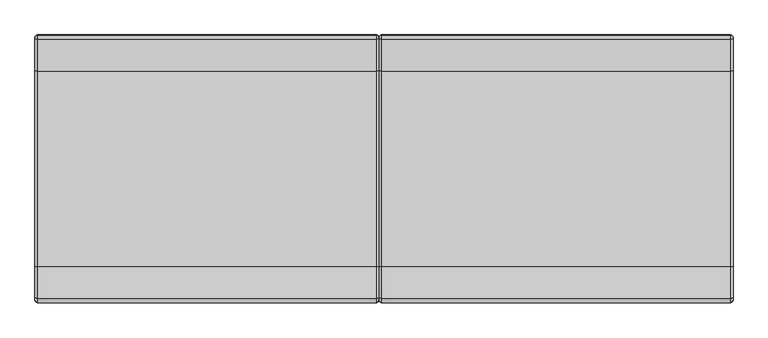
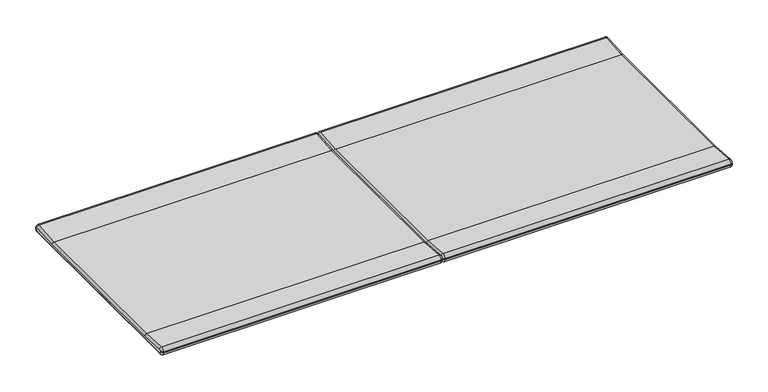
"""IFC4 building model written with IfcOpenShell, lengths in millimetres: furniture geometry."""

from ifc_helpers import new_model, si_unit, point, frame, origin, place, context, project, spatial, polyline, circle_curve, ellipse_curve, trimmed, source, transform, mapped, element, save
from ifc_brep_helpers import plane_surface, cylinder_surface, revolved_surface, advanced_brep


def furniture_d95eb234(model_context):
    return source(origin(), model_context, "Body", "AdvancedBrep", [
        advanced_brep(
        [(-315.5, -176.912469, 423.2281613), (-315.5, 181.9050033, 423.2281613), (-315.5, 240.662188, 427.3368639), (-315.5, 243.3268041, 425.0638151), (-315.5, 243.5179109, 422.9090742), (-315.5, 241.2485472, 420.1979879), (-315.5, 240.4185407, 420.1243736), (-315.5, -235.4260063, 420.1243736), (-315.5, -236.2560129, 420.1979879), (-315.5, -238.5253765, 422.9090742), (-315.5, -238.3342698, 425.0638151), (-315.5, -235.6696536, 427.3368639), (315.5, 181.9050033, 423.2281613), (315.5, -176.912469, 423.2281613), (315.5, -235.6696536, 427.3368639), (315.5, -238.3342698, 425.0638151), (315.5, -238.5253765, 422.9090742), (315.5, -236.2560129, 420.1979879), (315.5, -235.4260063, 420.1243736), (315.5, 240.4185407, 420.1243736), (315.5, 241.2485472, 420.1979879), (315.5, 243.5179109, 422.9090742), (315.5, 243.3268041, 425.0638151), (315.5, 240.662188, 427.3368639), (310.5, 240.3134056, 432.3246842), (310.5, 248.307254, 425.5055377), (-310.5000007, 248.307254, 425.5055377), (-310.5, 240.3134056, 432.3246842), (310.5, 181.556221, 428.2159816), (-310.5, 181.556221, 428.2159816), (310.5, -176.5636866, 428.2159816), (-310.5, -176.5636866, 428.2159816), (310.5, -235.3208713, 432.3246842), (-310.5, -235.3208713, 432.3246842), (310.5, -243.3147197, 425.5055377), (-310.5, -243.3147197, 425.5055377), (310.5, -243.5058264, 423.3507968), (-310.5, -243.5058264, 423.3507968), (310.5, -235.8677289, 415.1439237), (310.5, -236.6977355, 415.217538), (-310.5, -236.6977355, 415.217538), (-310.5, -235.8677289, 415.1439237), (310.5, 240.8602632, 415.1439237), (-310.5, 240.8602632, 415.1439237), (310.5, 241.6902698, 415.217538), (-310.5, 241.6902698, 415.217538), (310.5, 248.4983608, 423.3507968), (-310.5, 248.4983608, 423.3507968)],
        [
            (0, 1, circle_curve(frame((-315.5, 2.4962672, 2988.8926207), z_axis=(1.0, 0.0, 0.0), x_axis=(0.0, -0.06975647374412147, -0.9975640502598245)), 2571.9295505)),
            (1, 2),
            (2, 3, circle_curve(frame((-315.5, 240.8365791, 424.8429538), z_axis=(-1.0, 0.0, 0.0), x_axis=(0.0, -0.06975647374412368, 0.9975640502598243)), 2.5)),
            (3, 4),
            (4, 5, circle_curve(frame((-315.5, 241.0276859, 422.6882129), z_axis=(-1.0, 0.0, 0.0), x_axis=(0.0, 0.996089978874471, 0.08834451870860997)), 2.5)),
            (5, 6),
            (6, 7, circle_curve(frame((-315.5, 2.4962672, 3102.7129013), z_axis=(-1.0, 0.0, 0.0), x_axis=(0.0, 0.08834451870780052, -0.9960899788745428)), 2693.1186787)),
            (7, 8),
            (8, 9, circle_curve(frame((-315.5, -236.0351516, 422.6882129), z_axis=(-1.0, 0.0, 0.0), x_axis=(0.0, -0.08834451870869087, -0.9960899788744638)), 2.5)),
            (9, 10),
            (10, 11, circle_curve(frame((-315.5, -235.8440448, 424.8429538), z_axis=(-1.0, 0.0, 0.0), x_axis=(0.0, -0.9960899788744718, 0.08834451870860047)), 2.5)),
            (11, 0),
            (12, 13, circle_curve(frame((315.5, 2.4962672, 2988.8926207), z_axis=(-1.0, 0.0, 0.0), x_axis=(0.0, -0.06975647374412147, -0.9975640502598245)), 2571.9295505)),
            (13, 14),
            (14, 15, circle_curve(frame((315.5, -235.8440448, 424.8429538), z_axis=(1.0, 0.0, 0.0), x_axis=(0.0, -0.9960899788744718, 0.08834451870860047)), 2.5)),
            (15, 16),
            (16, 17, circle_curve(frame((315.5, -236.0351516, 422.6882129), z_axis=(1.0, 0.0, 0.0), x_axis=(0.0, -0.08834451870869087, -0.9960899788744638)), 2.5)),
            (17, 18),
            (18, 19, circle_curve(frame((315.5, 2.4962672, 3102.7129013), z_axis=(1.0, 0.0, 0.0), x_axis=(0.0, 0.08834451870780052, -0.9960899788745428)), 2693.1186787)),
            (19, 20),
            (20, 21, circle_curve(frame((315.5, 241.0276859, 422.6882129), z_axis=(1.0, 0.0, 0.0), x_axis=(0.0, 0.996089978874471, 0.08834451870860997)), 2.5)),
            (21, 22),
            (22, 23, circle_curve(frame((315.5, 240.8365791, 424.8429538), z_axis=(1.0, 0.0, 0.0), x_axis=(0.0, -0.06975647374412368, 0.9975640502598243)), 2.5)),
            (23, 12),
            (24, 25, circle_curve(frame((310.5, 240.8365791, 424.8429538), z_axis=(-1.0, 0.0, 0.0), x_axis=(0.0, -1.0, 0.0)), 7.5)),
            (25, 26),
            (26, 27, circle_curve(frame((-310.5, 240.8365791, 424.8429538), z_axis=(1.0, 0.0, 0.0), x_axis=(0.0, -1.0, 0.0)), 7.5)),
            (27, 24),
            (28, 24),
            (27, 29),
            (29, 28),
            (30, 28, circle_curve(frame((310.5, 2.4962672, 2988.8926207), z_axis=(1.0, 0.0, 0.0), x_axis=(0.0, -1.0, 0.0)), 2566.9295505)),
            (29, 31, circle_curve(frame((-310.5, 2.4962672, 2988.8926207), z_axis=(-1.0, 0.0, 0.0), x_axis=(0.0, -1.0, 0.0)), 2566.9295505)),
            (31, 30),
            (32, 30),
            (31, 33),
            (33, 32),
            (34, 32, circle_curve(frame((310.5, -235.8440448, 424.8429538), z_axis=(-1.0, 0.0, 0.0), x_axis=(0.0, -1.0, 0.0)), 7.5)),
            (33, 35, circle_curve(frame((-310.5, -235.8440448, 424.8429538), z_axis=(1.0, 0.0, 0.0), x_axis=(0.0, -1.0, 0.0)), 7.5)),
            (35, 34),
            (36, 34),
            (35, 37),
            (37, 36),
            (38, 39),
            (39, 40),
            (40, 41),
            (41, 38),
            (42, 38, circle_curve(frame((310.5, 2.4962672, 3102.7129013), z_axis=(-1.0, 0.0, 0.0), x_axis=(0.0, -1.0, 0.0)), 2698.1186787)),
            (41, 43, circle_curve(frame((-310.5, 2.4962672, 3102.7129013), z_axis=(1.0, 0.0, 0.0), x_axis=(0.0, -1.0, 0.0)), 2698.1186787)),
            (43, 42),
            (44, 42),
            (43, 45),
            (45, 44),
            (25, 46),
            (46, 47),
            (47, 26),
            (39, 36, circle_curve(frame((310.5, -236.0351516, 422.6882129), z_axis=(-1.0, 0.0, 0.0), x_axis=(0.0, -1.0, 0.0)), 7.5)),
            (37, 40, circle_curve(frame((-310.5, -236.0351516, 422.6882129), z_axis=(1.0, 0.0, 0.0), x_axis=(0.0, -1.0, 0.0)), 7.5)),
            (46, 44, circle_curve(frame((310.5, 241.0276859, 422.6882129), z_axis=(-1.0, 0.0, 0.0), x_axis=(0.0, -1.0, 0.0)), 7.5)),
            (45, 47, circle_curve(frame((-310.5, 241.0276859, 422.6882129), z_axis=(1.0, 0.0, 0.0), x_axis=(0.0, -1.0, 0.0)), 7.5)),
            (12, 28, circle_curve(frame((310.5, 181.9050033, 423.2281613), z_axis=(0.0, -0.9975640502598243, -0.06975647374412519), x_axis=(-1.0, 0.0, 0.0)), 5.0)),
            (30, 13, circle_curve(frame((310.5, -176.912469, 423.2281613), z_axis=(0.0, 0.9975640502598245, -0.06975647374412139), x_axis=(-1.0, 0.0, 0.0)), 5.0)),
            (23, 24, circle_curve(frame((310.5, 240.662188, 427.3368639), z_axis=(0.0, -0.9975640502598244, -0.06975647374412519), x_axis=(-1.0, 0.0, 0.0)), 5.0)),
            (22, 25, circle_curve(frame((310.5, 243.3268041, 425.0638151), z_axis=(0.0, -0.0883445187086484, 0.9960899788744676), x_axis=(-1.0, 0.0, 0.0)), 5.0)),
            (21, 46, circle_curve(frame((310.5, 243.5179109, 422.9090742), z_axis=(0.0, -0.08834451870861519, 0.9960899788744705), x_axis=(-1.0, 0.0, 0.0)), 5.0)),
            (20, 44, circle_curve(frame((310.5, 241.2485472, 420.1979879), z_axis=(0.0, 0.996089978874542, 0.08834451870780947), x_axis=(-1.0, 0.0, 0.0)), 5.0)),
            (19, 42, circle_curve(frame((310.5, 240.4185407, 420.1243736), z_axis=(0.0, 0.9960899788745432, 0.08834451870779796), x_axis=(-1.0, 0.0, 0.0)), 5.0)),
            (18, 38, circle_curve(frame((310.5, -235.4260063, 420.1243736), z_axis=(0.0, 0.996089978874464, -0.08834451870868819), x_axis=(-1.0, 0.0, 0.0)), 5.0)),
            (17, 39, circle_curve(frame((310.5, -236.2560129, 420.1979879), z_axis=(0.0, 0.9960899788744635, -0.08834451870869456), x_axis=(-1.0, 0.0, 0.0)), 5.0)),
            (16, 36, circle_curve(frame((310.5, -238.5253765, 422.9090742), z_axis=(0.0, -0.08834451870860996, -0.996089978874471), x_axis=(-1.0, 0.0, 0.0)), 5.0)),
            (15, 34, circle_curve(frame((310.5, -238.3342698, 425.0638151), z_axis=(0.0, -0.08834451870860673, -0.9960899788744714), x_axis=(-1.0, 0.0, 0.0)), 5.0)),
            (14, 32, circle_curve(frame((310.5, -235.6696536, 427.3368639), z_axis=(0.0, -0.9975640502598242, 0.06975647374412614), x_axis=(-1.0, 0.0, 0.0)), 5.0)),
            (29, 1, circle_curve(frame((-310.5, 181.9050033, 423.2281613), z_axis=(0.0, -0.9975640502598243, -0.06975647374412522), x_axis=(1.0, 0.0, 0.0)), 5.0)),
            (0, 31, circle_curve(frame((-310.5, -176.912469, 423.2281613), z_axis=(0.0, 0.9975640502598245, -0.06975647374412139), x_axis=(1.0, 0.0, 0.0)), 5.0)),
            (27, 2, circle_curve(frame((-310.5, 240.662188, 427.3368639), z_axis=(0.0, -0.9975640502598244, -0.06975647374412519), x_axis=(1.0, 0.0, 0.0)), 5.0)),
            (26, 3, circle_curve(frame((-310.5, 243.3268041, 425.0638151), z_axis=(0.0, -0.08834451870861701, 0.9960899788744704), x_axis=(1.0, 0.0, 0.0)), 5.0)),
            (47, 4, circle_curve(frame((-310.5, 243.5179109, 422.9090742), z_axis=(0.0, -0.08834451870861519, 0.9960899788744705), x_axis=(1.0, 0.0, 0.0)), 5.0)),
            (45, 5, circle_curve(frame((-310.5, 241.2485472, 420.1979879), z_axis=(0.0, 0.9960899788745425, 0.08834451870780329), x_axis=(1.0, 0.0, 0.0)), 5.0)),
            (43, 6, circle_curve(frame((-310.5, 240.4185407, 420.1243736), z_axis=(0.0, 0.9960899788745432, 0.08834451870779796), x_axis=(1.0, 0.0, 0.0)), 5.0)),
            (41, 7, circle_curve(frame((-310.5, -235.4260063, 420.1243736), z_axis=(0.0, 0.996089978874464, -0.08834451870868822), x_axis=(1.0, 0.0, 0.0)), 5.0)),
            (40, 8, circle_curve(frame((-310.5, -236.2560129, 420.1979879), z_axis=(0.0, 0.9960899788744635, -0.08834451870869456), x_axis=(1.0, 0.0, 0.0)), 5.0)),
            (37, 9, circle_curve(frame((-310.5, -238.5253765, 422.9090742), z_axis=(0.0, -0.08834451870860996, -0.996089978874471), x_axis=(1.0, 0.0, 0.0)), 5.0)),
            (35, 10, circle_curve(frame((-310.5, -238.3342698, 425.0638151), z_axis=(0.0, -0.08834451870860673, -0.9960899788744714), x_axis=(1.0, 0.0, 0.0)), 5.0)),
            (33, 11, circle_curve(frame((-310.5, -235.6696536, 427.3368639), z_axis=(0.0, -0.9975640502598242, 0.06975647374412458), x_axis=(1.0, 0.0, 0.0)), 5.0)),
        ],
        [
            plane_surface(frame((-315.5, 248.4104415, 424.3420918), z_axis=(-1.0, 0.0, 0.0), x_axis=(0.0, 0.08834451870861235, -0.9960899788744708))),
            plane_surface(frame((315.5, 248.4104415, 424.3420918), z_axis=(1.0, 0.0, 0.0), x_axis=(0.0, -0.08834451870861235, 0.9960899788744708))),
            cylinder_surface(frame((315.5, 240.8365791, 424.8429538), z_axis=(-1.0, 0.0, 0.0), x_axis=(0.0, -1.0, 0.0)), 7.5),
            plane_surface(frame((-315.5, 181.556221, 428.2159816), z_axis=(0.0, -0.06975647374412508, 0.9975640502598243), x_axis=(1.0, 0.0, 0.0))),
            revolved_surface(polyline([(310.5, -2564.4332833, 2988.8926207), (-310.5, -2564.4332833, 2988.8926207)]), (315.5, 2.4962672, 2988.8926207), (1.0, 0.0, 0.0)),
            plane_surface(frame((-315.5, -235.3208713, 432.3246842), z_axis=(0.0, 0.06975647374412194, 0.9975640502598245), x_axis=(1.0, 0.0, 0.0))),
            cylinder_surface(frame((315.5, -235.8440448, 424.8429538), z_axis=(-1.0, 0.0, 0.0), x_axis=(0.0, -1.0, 0.0)), 7.5),
            plane_surface(frame((-315.5, -243.5058264, 423.3507968), z_axis=(0.0, -0.9960899788744714, 0.08834451870860684), x_axis=(1.0, 0.0, 0.0))),
            plane_surface(frame((-315.5, -235.8677289, 415.1439237), z_axis=(0.0, -0.08834451870869824, -0.9960899788744633), x_axis=(1.0, 0.0, 0.0))),
            cylinder_surface(frame((315.5, 2.4962672, 3102.7129013), z_axis=(-1.0, 0.0, 0.0), x_axis=(0.0, -1.0, 0.0)), 2698.1186787),
            plane_surface(frame((-315.5, 241.6902698, 415.217538), z_axis=(0.0, 0.08834451870787008, -0.9960899788745367), x_axis=(1.0, 0.0, 0.0))),
            plane_surface(frame((-315.5, 248.307254, 425.5055377), z_axis=(0.0, 0.9960899788744708, 0.08834451870861235), x_axis=(1.0, 0.0, 0.0))),
            cylinder_surface(frame((315.5, -236.0351516, 422.6882129), z_axis=(-1.0, 0.0, 0.0), x_axis=(0.0, -1.0, 0.0)), 7.5),
            cylinder_surface(frame((315.5, 241.0276859, 422.6882129), z_axis=(-1.0, 0.0, 0.0), x_axis=(0.0, -1.0, 0.0)), 7.5),
            revolved_surface(trimmed(ellipse_curve(frame((310.5, -176.912469, 423.2281613), z_axis=(0.0, -0.9975640502598245, 0.06975647374412139), x_axis=(-1.0, 0.0, 0.0)), 5.0, 5.0), [point((315.5, -176.912469, 423.2281613))], [point((310.5, -176.5636866, 428.2159816))], True, "CARTESIAN"), (315.5, 2.4962672, 2988.8926207), (1.0, 0.0, 0.0)),
            cylinder_surface(frame((310.5, 181.9050033, 423.2281613), z_axis=(0.0, 0.9975640502598242, 0.06975647374412518), x_axis=(-1.0, 0.0, 0.0)), 5.0),
            revolved_surface(trimmed(ellipse_curve(frame((310.5, 240.662188, 427.3368639), z_axis=(0.0, -0.9975640502598243, -0.06975647374412386), x_axis=(-1.0, 0.0, 0.0)), 5.0, 5.0), [point((315.5, 240.662188, 427.3368639))], [point((310.5, 240.3134056, 432.3246842))], True, "CARTESIAN"), (315.5, 240.8365791, 424.8429538), (-1.0, 0.0, 0.0)),
            cylinder_surface(frame((310.5, 243.3268041, 425.0638151), z_axis=(0.0, 0.08834451870861519, -0.9960899788744705), x_axis=(-1.0, 0.0, 0.0)), 5.0),
            revolved_surface(trimmed(ellipse_curve(frame((310.5, 243.5179109, 422.9090742), z_axis=(0.0, -0.08834451870861007, 0.996089978874471), x_axis=(-1.0, 0.0, 0.0)), 5.0, 5.0), [point((315.5, 243.5179109, 422.9090742))], [point((310.5, 248.4983608, 423.3507968))], True, "CARTESIAN"), (315.5, 241.0276859, 422.6882129), (-1.0, 0.0, 0.0)),
            cylinder_surface(frame((310.5, 241.2485472, 420.1979879), z_axis=(0.0, -0.996089978874543, -0.08834451870779794), x_axis=(-1.0, 0.0, 0.0)), 5.0),
            revolved_surface(trimmed(ellipse_curve(frame((310.5, 240.4185407, 420.1243736), z_axis=(0.0, 0.9960899788745428, 0.08834451870780073), x_axis=(-1.0, 0.0, 0.0)), 5.0, 5.0), [point((315.5, 240.4185407, 420.1243736))], [point((310.5, 240.8602632, 415.1439237))], True, "CARTESIAN"), (315.5, 2.4962672, 3102.7129013), (-1.0, 0.0, 0.0)),
            cylinder_surface(frame((310.5, -235.4260063, 420.1243736), z_axis=(0.0, -0.9960899788744635, 0.08834451870869456), x_axis=(-1.0, 0.0, 0.0)), 5.0),
            revolved_surface(trimmed(ellipse_curve(frame((310.5, -236.2560129, 420.1979879), z_axis=(0.0, 0.9960899788744638, -0.08834451870869076), x_axis=(-1.0, 0.0, 0.0)), 5.0, 5.0), [point((315.5, -236.2560129, 420.1979879))], [point((310.5, -236.6977355, 415.217538))], True, "CARTESIAN"), (315.5, -236.0351516, 422.6882129), (-1.0, 0.0, 0.0)),
            cylinder_surface(frame((310.5, -238.5253765, 422.9090742), z_axis=(0.0, 0.08834451870860673, 0.9960899788744714), x_axis=(-1.0, 0.0, 0.0)), 5.0),
            revolved_surface(trimmed(ellipse_curve(frame((310.5, -238.3342698, 425.0638151), z_axis=(0.0, -0.08834451870860047, -0.9960899788744718), x_axis=(-1.0, 0.0, 0.0)), 5.0, 5.0), [point((315.5, -238.3342698, 425.0638151))], [point((310.5, -243.3147197, 425.5055377))], True, "CARTESIAN"), (315.5, -235.8440448, 424.8429538), (-1.0, 0.0, 0.0)),
            cylinder_surface(frame((310.5, -235.6696536, 427.3368639), z_axis=(0.0, 0.9975640502598245, -0.06975647374412176), x_axis=(-1.0, 0.0, 0.0)), 5.0),
            revolved_surface(trimmed(ellipse_curve(frame((-310.5, -176.912469, 423.2281613), z_axis=(0.0, -0.9975640502598245, 0.06975647374412139), x_axis=(1.0, 0.0, 0.0)), 5.0, 5.0), [point((-310.5, -176.5636866, 428.2159816))], [point((-315.5, -176.912469, 423.2281613))], True, "CARTESIAN"), (-315.5, 2.4962672, 2988.8926207), (1.0, 0.0, 0.0)),
            cylinder_surface(frame((-310.5, 181.9050033, 423.2281613), z_axis=(0.0, 0.9975640502598242, 0.06975647374412518), x_axis=(1.0, 0.0, 0.0)), 5.0),
            revolved_surface(trimmed(ellipse_curve(frame((-310.5, 240.662188, 427.3368639), z_axis=(0.0, -0.9975640502598243, -0.06975647374412386), x_axis=(1.0, 0.0, 0.0)), 5.0, 5.0), [point((-310.5, 240.3134056, 432.3246842))], [point((-315.5, 240.662188, 427.3368639))], True, "CARTESIAN"), (-315.5, 240.8365791, 424.8429538), (-1.0, 0.0, 0.0)),
            cylinder_surface(frame((-310.5, 243.3268041, 425.0638151), z_axis=(0.0, 0.08834451870861519, -0.9960899788744705), x_axis=(1.0, 0.0, 0.0)), 5.0),
            revolved_surface(trimmed(ellipse_curve(frame((-310.5, 243.5179109, 422.9090742), z_axis=(0.0, -0.08834451870861007, 0.996089978874471), x_axis=(1.0, 0.0, 0.0)), 5.0, 5.0), [point((-310.5, 248.4983608, 423.3507968))], [point((-315.5, 243.5179109, 422.9090742))], True, "CARTESIAN"), (-315.5, 241.0276859, 422.6882129), (-1.0, 0.0, 0.0)),
            cylinder_surface(frame((-310.5, 241.2485472, 420.1979879), z_axis=(0.0, -0.996089978874543, -0.08834451870779794), x_axis=(1.0, 0.0, 0.0)), 5.0),
            revolved_surface(trimmed(ellipse_curve(frame((-310.5, 240.4185407, 420.1243736), z_axis=(0.0, 0.9960899788745428, 0.08834451870780073), x_axis=(1.0, 0.0, 0.0)), 5.0, 5.0), [point((-310.5, 240.8602632, 415.1439237))], [point((-315.5, 240.4185407, 420.1243736))], True, "CARTESIAN"), (-315.5, 2.4962672, 3102.7129013), (-1.0, 0.0, 0.0)),
            cylinder_surface(frame((-310.5, -235.4260063, 420.1243736), z_axis=(0.0, -0.9960899788744635, 0.08834451870869456), x_axis=(1.0, 0.0, 0.0)), 5.0),
            revolved_surface(trimmed(ellipse_curve(frame((-310.5, -236.2560129, 420.1979879), z_axis=(0.0, 0.9960899788744638, -0.08834451870869076), x_axis=(1.0, 0.0, 0.0)), 5.0, 5.0), [point((-310.5, -236.6977355, 415.217538))], [point((-315.5, -236.2560129, 420.1979879))], True, "CARTESIAN"), (-315.5, -236.0351516, 422.6882129), (-1.0, 0.0, 0.0)),
            cylinder_surface(frame((-310.5, -238.5253765, 422.9090742), z_axis=(0.0, 0.08834451870860673, 0.9960899788744714), x_axis=(1.0, 0.0, 0.0)), 5.0),
            revolved_surface(trimmed(ellipse_curve(frame((-310.5, -238.3342698, 425.0638151), z_axis=(0.0, -0.08834451870860047, -0.9960899788744718), x_axis=(1.0, 0.0, 0.0)), 5.0, 5.0), [point((-310.5, -243.3147197, 425.5055377))], [point((-315.5, -238.3342698, 425.0638151))], True, "CARTESIAN"), (-315.5, -235.8440448, 424.8429538), (-1.0, 0.0, 0.0)),
            cylinder_surface(frame((-310.5, -235.6696536, 427.3368639), z_axis=(0.0, 0.9975640502598245, -0.06975647374412176), x_axis=(1.0, 0.0, 0.0)), 5.0),
        ],
        [
            (0, [[1, 2, 3, 4, 5, 6, 7, 8, 9, 10, 11, 12]]),
            (1, [[13, 14, 15, 16, 17, 18, 19, 20, 21, 22, 23, 24]]),
            (2, [[25, 26, 27, 28]]),
            (3, [[29, -28, 30, 31]]),
            (4, [[32, -31, 33, 34]]),
            (5, [[35, -34, 36, 37]]),
            (6, [[38, -37, 39, 40]]),
            (7, [[41, -40, 42, 43]]),
            (8, [[44, 45, 46, 47]]),
            (9, [[48, -47, 49, 50]]),
            (10, [[51, -50, 52, 53]]),
            (11, [[54, 55, 56, -26]]),
            (12, [[57, -43, 58, -45]]),
            (13, [[59, -53, 60, -55]]),
            (14, [[61, -32, 62, -13]]),
            (15, [[-61, -24, 63, -29]]),
            (16, [[-63, -23, 64, -25]]),
            (17, [[-64, -22, 65, -54]]),
            (18, [[-65, -21, 66, -59]]),
            (19, [[-66, -20, 67, -51]]),
            (20, [[-67, -19, 68, -48]]),
            (21, [[-68, -18, 69, -44]]),
            (22, [[-69, -17, 70, -57]]),
            (23, [[-70, -16, 71, -41]]),
            (24, [[-71, -15, 72, -38]]),
            (25, [[-62, -35, -72, -14]]),
            (26, [[73, -1, 74, -33]]),
            (27, [[-73, -30, 75, -2]]),
            (28, [[-75, -27, 76, -3]]),
            (29, [[-76, -56, 77, -4]]),
            (30, [[-77, -60, 78, -5]]),
            (31, [[-78, -52, 79, -6]]),
            (32, [[-79, -49, 80, -7]]),
            (33, [[-80, -46, 81, -8]]),
            (34, [[-81, -58, 82, -9]]),
            (35, [[-82, -42, 83, -10]]),
            (36, [[-83, -39, 84, -11]]),
            (37, [[-74, -12, -84, -36]]),
        ],
    ),
        advanced_brep(
        [(315.5, -176.912469, 423.2281613), (315.5, 181.9050033, 423.2281613), (315.5, 240.662188, 427.3368639), (315.5, 243.3268041, 425.0638151), (315.5, 243.5179109, 422.9090742), (315.5, 241.2485472, 420.1979879), (315.5, 240.4185407, 420.1243736), (315.5, -235.4260063, 420.1243736), (315.5, -236.2560129, 420.1979879), (315.5, -238.5253765, 422.9090742), (315.5, -238.3342698, 425.0638151), (315.5, -235.6696536, 427.3368639), (965.1060612, 181.9050033, 423.2281613), (965.1060612, -176.912469, 423.2281613), (965.1060612, -235.6696536, 427.3368639), (965.1060612, -238.3342698, 425.0638151), (965.1060612, -238.5253765, 422.9090742), (965.1060612, -236.2560129, 420.1979879), (965.1060612, -235.4260063, 420.1243736), (965.1060612, 240.4185407, 420.1243736), (965.1060612, 241.2485472, 420.1979879), (965.1060612, 243.5179109, 422.9090742), (965.1060612, 243.3268041, 425.0638151), (965.1060612, 240.662188, 427.3368639), (960.1060612, 240.3134056, 432.3246842), (960.1060612, 248.307254, 425.5055377), (320.4999979, 248.307254, 425.5055377), (320.5, 240.3134056, 432.3246842), (960.1060612, 181.556221, 428.2159816), (320.5, 181.556221, 428.2159816), (960.1060612, -176.5636866, 428.2159816), (320.5, -176.5636866, 428.2159816), (960.1060612, -235.3208713, 432.3246842), (320.5, -235.3208713, 432.3246842), (960.1060612, -243.3147197, 425.5055377), (320.5, -243.3147197, 425.5055377), (960.1060612, -243.5058264, 423.3507968), (320.5, -243.5058264, 423.3507968), (960.1060612, -235.8677289, 415.1439237), (960.1060612, -236.6977355, 415.217538), (320.5, -236.6977355, 415.217538), (320.5, -235.8677289, 415.1439237), (960.1060612, 240.8602632, 415.1439237), (320.5, 240.8602632, 415.1439237), (960.1060612, 241.6902698, 415.217538), (320.5, 241.6902698, 415.217538), (960.1060612, 248.4983608, 423.3507968), (320.5, 248.4983608, 423.3507968)],
        [
            (0, 1, circle_curve(frame((315.5, 2.4962672, 2988.8926207), z_axis=(1.0, 0.0, 0.0), x_axis=(0.0, -0.06975647374412147, -0.9975640502598245)), 2571.9295505)),
            (1, 2),
            (2, 3, circle_curve(frame((315.5, 240.8365791, 424.8429538), z_axis=(-1.0, 0.0, 0.0), x_axis=(0.0, -0.06975647374412368, 0.9975640502598243)), 2.5)),
            (3, 4),
            (4, 5, circle_curve(frame((315.5, 241.0276859, 422.6882129), z_axis=(-1.0, 0.0, 0.0), x_axis=(0.0, 0.996089978874471, 0.08834451870860997)), 2.5)),
            (5, 6),
            (6, 7, circle_curve(frame((315.5, 2.4962672, 3102.7129013), z_axis=(-1.0, 0.0, 0.0), x_axis=(0.0, 0.08834451870780052, -0.9960899788745428)), 2693.1186787)),
            (7, 8),
            (8, 9, circle_curve(frame((315.5, -236.0351516, 422.6882129), z_axis=(-1.0, 0.0, 0.0), x_axis=(0.0, -0.08834451870869087, -0.9960899788744638)), 2.5)),
            (9, 10),
            (10, 11, circle_curve(frame((315.5, -235.8440448, 424.8429538), z_axis=(-1.0, 0.0, 0.0), x_axis=(0.0, -0.9960899788744718, 0.08834451870860047)), 2.5)),
            (11, 0),
            (12, 13, circle_curve(frame((965.1060612, 2.4962672, 2988.8926207), z_axis=(-1.0, 0.0, 0.0), x_axis=(0.0, -0.06975647374412147, -0.9975640502598245)), 2571.9295505)),
            (13, 14),
            (14, 15, circle_curve(frame((965.1060612, -235.8440448, 424.8429538), z_axis=(1.0, 0.0, 0.0), x_axis=(0.0, -0.9960899788744718, 0.08834451870860047)), 2.5)),
            (15, 16),
            (16, 17, circle_curve(frame((965.1060612, -236.0351516, 422.6882129), z_axis=(1.0, 0.0, 0.0), x_axis=(0.0, -0.08834451870869087, -0.9960899788744638)), 2.5)),
            (17, 18),
            (18, 19, circle_curve(frame((965.1060612, 2.4962672, 3102.7129013), z_axis=(1.0, 0.0, 0.0), x_axis=(0.0, 0.08834451870780052, -0.9960899788745428)), 2693.1186787)),
            (19, 20),
            (20, 21, circle_curve(frame((965.1060612, 241.0276859, 422.6882129), z_axis=(1.0, 0.0, 0.0), x_axis=(0.0, 0.996089978874471, 0.08834451870860997)), 2.5)),
            (21, 22),
            (22, 23, circle_curve(frame((965.1060612, 240.8365791, 424.8429538), z_axis=(1.0, 0.0, 0.0), x_axis=(0.0, -0.06975647374412368, 0.9975640502598243)), 2.5)),
            (23, 12),
            (24, 25, circle_curve(frame((960.1060612, 240.8365791, 424.8429538), z_axis=(-1.0, 0.0, 0.0), x_axis=(0.0, -1.0, 0.0)), 7.5)),
            (25, 26),
            (26, 27, circle_curve(frame((320.5, 240.8365791, 424.8429538), z_axis=(1.0, 0.0, 0.0), x_axis=(0.0, -1.0, 0.0)), 7.5)),
            (27, 24),
            (28, 24),
            (27, 29),
            (29, 28),
            (30, 28, circle_curve(frame((960.1060612, 2.4962672, 2988.8926207), z_axis=(1.0, 0.0, 0.0), x_axis=(0.0, -1.0, 0.0)), 2566.9295505)),
            (29, 31, circle_curve(frame((320.5, 2.4962672, 2988.8926207), z_axis=(-1.0, 0.0, 0.0), x_axis=(0.0, -1.0, 0.0)), 2566.9295505)),
            (31, 30),
            (32, 30),
            (31, 33),
            (33, 32),
            (34, 32, circle_curve(frame((960.1060612, -235.8440448, 424.8429538), z_axis=(-1.0, 0.0, 0.0), x_axis=(0.0, -1.0, 0.0)), 7.5)),
            (33, 35, circle_curve(frame((320.5, -235.8440448, 424.8429538), z_axis=(1.0, 0.0, 0.0), x_axis=(0.0, -1.0, 0.0)), 7.5)),
            (35, 34),
            (36, 34),
            (35, 37),
            (37, 36),
            (38, 39),
            (39, 40),
            (40, 41),
            (41, 38),
            (42, 38, circle_curve(frame((960.1060612, 2.4962672, 3102.7129013), z_axis=(-1.0, 0.0, 0.0), x_axis=(0.0, -1.0, 0.0)), 2698.1186787)),
            (41, 43, circle_curve(frame((320.5, 2.4962672, 3102.7129013), z_axis=(1.0, 0.0, 0.0), x_axis=(0.0, -1.0, 0.0)), 2698.1186787)),
            (43, 42),
            (44, 42),
            (43, 45),
            (45, 44),
            (25, 46),
            (46, 47),
            (47, 26),
            (39, 36, circle_curve(frame((960.1060612, -236.0351516, 422.6882129), z_axis=(-1.0, 0.0, 0.0), x_axis=(0.0, -1.0, 0.0)), 7.5)),
            (37, 40, circle_curve(frame((320.5, -236.0351516, 422.6882129), z_axis=(1.0, 0.0, 0.0), x_axis=(0.0, -1.0, 0.0)), 7.5)),
            (46, 44, circle_curve(frame((960.1060612, 241.0276859, 422.6882129), z_axis=(-1.0, 0.0, 0.0), x_axis=(0.0, -1.0, 0.0)), 7.5)),
            (45, 47, circle_curve(frame((320.5, 241.0276859, 422.6882129), z_axis=(1.0, 0.0, 0.0), x_axis=(0.0, -1.0, 0.0)), 7.5)),
            (12, 28, circle_curve(frame((960.1060612, 181.9050033, 423.2281613), z_axis=(0.0, -0.9975640502598243, -0.06975647374412519), x_axis=(-1.0, 0.0, 0.0)), 5.0)),
            (30, 13, circle_curve(frame((960.1060612, -176.912469, 423.2281613), z_axis=(0.0, 0.9975640502598245, -0.06975647374412139), x_axis=(-1.0, 0.0, 0.0)), 5.0)),
            (23, 24, circle_curve(frame((960.1060612, 240.662188, 427.3368639), z_axis=(0.0, -0.9975640502598244, -0.06975647374412519), x_axis=(-1.0, 0.0, 0.0)), 5.0)),
            (22, 25, circle_curve(frame((960.1060612, 243.3268041, 425.0638151), z_axis=(0.0, -0.08834451870864818, 0.9960899788744676), x_axis=(-1.0, 0.0, 0.0)), 5.0)),
            (21, 46, circle_curve(frame((960.1060612, 243.5179109, 422.9090742), z_axis=(0.0, -0.08834451870861519, 0.9960899788744705), x_axis=(-1.0, 0.0, 0.0)), 5.0)),
            (20, 44, circle_curve(frame((960.1060612, 241.2485472, 420.1979879), z_axis=(0.0, 0.9960899788745415, 0.08834451870781455), x_axis=(-1.0, 0.0, 0.0)), 5.0)),
            (19, 42, circle_curve(frame((960.1060612, 240.4185407, 420.1243736), z_axis=(0.0, 0.9960899788745432, 0.08834451870779796), x_axis=(-1.0, 0.0, 0.0)), 5.0)),
            (18, 38, circle_curve(frame((960.1060612, -235.4260063, 420.1243736), z_axis=(0.0, 0.996089978874464, -0.08834451870868816), x_axis=(-1.0, 0.0, 0.0)), 5.0)),
            (17, 39, circle_curve(frame((960.1060612, -236.2560129, 420.1979879), z_axis=(0.0, 0.9960899788744635, -0.08834451870869456), x_axis=(-1.0, 0.0, 0.0)), 5.0)),
            (16, 36, circle_curve(frame((960.1060612, -238.5253765, 422.9090742), z_axis=(0.0, -0.08834451870860996, -0.996089978874471), x_axis=(-1.0, 0.0, 0.0)), 5.0)),
            (15, 34, circle_curve(frame((960.1060612, -238.3342698, 425.0638151), z_axis=(0.0, -0.08834451870860673, -0.9960899788744714), x_axis=(-1.0, 0.0, 0.0)), 5.0)),
            (14, 32, circle_curve(frame((960.1060612, -235.6696536, 427.3368639), z_axis=(0.0, -0.9975640502598251, 0.06975647374411305), x_axis=(-1.0, 0.0, 0.0)), 5.0)),
            (29, 1, circle_curve(frame((320.5, 181.9050033, 423.2281613), z_axis=(0.0, -0.9975640502598243, -0.06975647374412522), x_axis=(1.0, 0.0, 0.0)), 5.0)),
            (0, 31, circle_curve(frame((320.5, -176.912469, 423.2281613), z_axis=(0.0, 0.9975640502598245, -0.06975647374412139), x_axis=(1.0, 0.0, 0.0)), 5.0)),
            (27, 2, circle_curve(frame((320.5, 240.662188, 427.3368639), z_axis=(0.0, -0.9975640502598244, -0.06975647374412519), x_axis=(1.0, 0.0, 0.0)), 5.0)),
            (26, 3, circle_curve(frame((320.5, 243.3268041, 425.0638151), z_axis=(0.0, -0.08834451870861701, 0.9960899788744704), x_axis=(1.0, 0.0, 0.0)), 5.0)),
            (47, 4, circle_curve(frame((320.5, 243.5179109, 422.9090742), z_axis=(0.0, -0.08834451870861519, 0.9960899788744705), x_axis=(1.0, 0.0, 0.0)), 5.0)),
            (45, 5, circle_curve(frame((320.5, 241.2485472, 420.1979879), z_axis=(0.0, 0.9960899788745425, 0.08834451870780329), x_axis=(1.0, 0.0, 0.0)), 5.0)),
            (43, 6, circle_curve(frame((320.5, 240.4185407, 420.1243736), z_axis=(0.0, 0.9960899788745432, 0.08834451870779796), x_axis=(1.0, 0.0, 0.0)), 5.0)),
            (41, 7, circle_curve(frame((320.5, -235.4260063, 420.1243736), z_axis=(0.0, 0.996089978874464, -0.08834451870868822), x_axis=(1.0, 0.0, 0.0)), 5.0)),
            (40, 8, circle_curve(frame((320.5, -236.2560129, 420.1979879), z_axis=(0.0, 0.9960899788744635, -0.08834451870869456), x_axis=(1.0, 0.0, 0.0)), 5.0)),
            (37, 9, circle_curve(frame((320.5, -238.5253765, 422.9090742), z_axis=(0.0, -0.08834451870860996, -0.996089978874471), x_axis=(1.0, 0.0, 0.0)), 5.0)),
            (35, 10, circle_curve(frame((320.5, -238.3342698, 425.0638151), z_axis=(0.0, -0.08834451870860673, -0.9960899788744714), x_axis=(1.0, 0.0, 0.0)), 5.0)),
            (33, 11, circle_curve(frame((320.5, -235.6696536, 427.3368639), z_axis=(0.0, -0.9975640502598242, 0.06975647374412458), x_axis=(1.0, 0.0, 0.0)), 5.0)),
        ],
        [
            plane_surface(frame((315.5, 248.4104415, 424.3420918), z_axis=(-1.0, 0.0, 0.0), x_axis=(0.0, 0.08834451870861235, -0.9960899788744708))),
            plane_surface(frame((965.1060612, 248.4104415, 424.3420918), z_axis=(1.0, 0.0, 0.0), x_axis=(0.0, -0.08834451870861235, 0.9960899788744708))),
            cylinder_surface(frame((965.1060612, 240.8365791, 424.8429538), z_axis=(-1.0, 0.0, 0.0), x_axis=(0.0, -1.0, 0.0)), 7.5),
            plane_surface(frame((315.5, 181.556221, 428.2159816), z_axis=(0.0, -0.06975647374412508, 0.9975640502598243), x_axis=(1.0, 0.0, 0.0))),
            revolved_surface(polyline([(960.1060612, -2564.4332833, 2988.8926207), (320.5, -2564.4332833, 2988.8926207)]), (965.1060612, 2.4962672, 2988.8926207), (1.0, 0.0, 0.0)),
            plane_surface(frame((315.5, -235.3208713, 432.3246842), z_axis=(0.0, 0.06975647374412194, 0.9975640502598245), x_axis=(1.0, 0.0, 0.0))),
            cylinder_surface(frame((965.1060612, -235.8440448, 424.8429538), z_axis=(-1.0, 0.0, 0.0), x_axis=(0.0, -1.0, 0.0)), 7.5),
            plane_surface(frame((315.5, -243.5058264, 423.3507968), z_axis=(0.0, -0.9960899788744714, 0.08834451870860684), x_axis=(1.0, 0.0, 0.0))),
            plane_surface(frame((315.5, -235.8677289, 415.1439237), z_axis=(0.0, -0.08834451870869824, -0.9960899788744633), x_axis=(1.0, 0.0, 0.0))),
            cylinder_surface(frame((965.1060612, 2.4962672, 3102.7129013), z_axis=(-1.0, 0.0, 0.0), x_axis=(0.0, -1.0, 0.0)), 2698.1186787),
            plane_surface(frame((315.5, 241.6902698, 415.217538), z_axis=(0.0, 0.08834451870787008, -0.9960899788745367), x_axis=(1.0, 0.0, 0.0))),
            plane_surface(frame((315.5, 248.307254, 425.5055377), z_axis=(0.0, 0.9960899788744708, 0.08834451870861235), x_axis=(1.0, 0.0, 0.0))),
            cylinder_surface(frame((965.1060612, -236.0351516, 422.6882129), z_axis=(-1.0, 0.0, 0.0), x_axis=(0.0, -1.0, 0.0)), 7.5),
            cylinder_surface(frame((965.1060612, 241.0276859, 422.6882129), z_axis=(-1.0, 0.0, 0.0), x_axis=(0.0, -1.0, 0.0)), 7.5),
            revolved_surface(trimmed(ellipse_curve(frame((960.1060612, -176.912469, 423.2281613), z_axis=(0.0, -0.9975640502598245, 0.06975647374412139), x_axis=(-1.0, 0.0, 0.0)), 5.0, 5.0), [point((965.1060612, -176.912469, 423.2281613))], [point((960.1060612, -176.5636866, 428.2159816))], True, "CARTESIAN"), (965.1060612, 2.4962672, 2988.8926207), (1.0, 0.0, 0.0)),
            cylinder_surface(frame((960.1060612, 181.9050033, 423.2281613), z_axis=(0.0, 0.9975640502598242, 0.06975647374412518), x_axis=(-1.0, 0.0, 0.0)), 5.0),
            revolved_surface(trimmed(ellipse_curve(frame((960.1060612, 240.662188, 427.3368639), z_axis=(0.0, -0.9975640502598243, -0.06975647374412386), x_axis=(-1.0, 0.0, 0.0)), 5.0, 5.0), [point((965.1060612, 240.662188, 427.3368639))], [point((960.1060612, 240.3134056, 432.3246842))], True, "CARTESIAN"), (965.1060612, 240.8365791, 424.8429538), (-1.0, 0.0, 0.0)),
            cylinder_surface(frame((960.1060612, 243.3268041, 425.0638151), z_axis=(0.0, 0.08834451870861519, -0.9960899788744705), x_axis=(-1.0, 0.0, 0.0)), 5.0),
            revolved_surface(trimmed(ellipse_curve(frame((960.1060612, 243.5179109, 422.9090742), z_axis=(0.0, -0.08834451870861007, 0.996089978874471), x_axis=(-1.0, 0.0, 0.0)), 5.0, 5.0), [point((965.1060612, 243.5179109, 422.9090742))], [point((960.1060612, 248.4983608, 423.3507968))], True, "CARTESIAN"), (965.1060612, 241.0276859, 422.6882129), (-1.0, 0.0, 0.0)),
            cylinder_surface(frame((960.1060612, 241.2485472, 420.1979879), z_axis=(0.0, -0.996089978874543, -0.08834451870779794), x_axis=(-1.0, 0.0, 0.0)), 5.0),
            revolved_surface(trimmed(ellipse_curve(frame((960.1060612, 240.4185407, 420.1243736), z_axis=(0.0, 0.9960899788745428, 0.08834451870780073), x_axis=(-1.0, 0.0, 0.0)), 5.0, 5.0), [point((965.1060612, 240.4185407, 420.1243736))], [point((960.1060612, 240.8602632, 415.1439237))], True, "CARTESIAN"), (965.1060612, 2.4962672, 3102.7129013), (-1.0, 0.0, 0.0)),
            cylinder_surface(frame((960.1060612, -235.4260063, 420.1243736), z_axis=(0.0, -0.9960899788744635, 0.08834451870869456), x_axis=(-1.0, 0.0, 0.0)), 5.0),
            revolved_surface(trimmed(ellipse_curve(frame((960.1060612, -236.2560129, 420.1979879), z_axis=(0.0, 0.9960899788744638, -0.08834451870869076), x_axis=(-1.0, 0.0, 0.0)), 5.0, 5.0), [point((965.1060612, -236.2560129, 420.1979879))], [point((960.1060612, -236.6977355, 415.217538))], True, "CARTESIAN"), (965.1060612, -236.0351516, 422.6882129), (-1.0, 0.0, 0.0)),
            cylinder_surface(frame((960.1060612, -238.5253765, 422.9090742), z_axis=(0.0, 0.08834451870860673, 0.9960899788744714), x_axis=(-1.0, 0.0, 0.0)), 5.0),
            revolved_surface(trimmed(ellipse_curve(frame((960.1060612, -238.3342698, 425.0638151), z_axis=(0.0, -0.08834451870860047, -0.9960899788744718), x_axis=(-1.0, 0.0, 0.0)), 5.0, 5.0), [point((965.1060612, -238.3342698, 425.0638151))], [point((960.1060612, -243.3147197, 425.5055377))], True, "CARTESIAN"), (965.1060612, -235.8440448, 424.8429538), (-1.0, 0.0, 0.0)),
            cylinder_surface(frame((960.1060612, -235.6696536, 427.3368639), z_axis=(0.0, 0.9975640502598245, -0.06975647374412176), x_axis=(-1.0, 0.0, 0.0)), 5.0),
            revolved_surface(trimmed(ellipse_curve(frame((320.5, -176.912469, 423.2281613), z_axis=(0.0, -0.9975640502598245, 0.06975647374412139), x_axis=(1.0, 0.0, 0.0)), 5.0, 5.0), [point((320.5, -176.5636866, 428.2159816))], [point((315.5, -176.912469, 423.2281613))], True, "CARTESIAN"), (315.5, 2.4962672, 2988.8926207), (1.0, 0.0, 0.0)),
            cylinder_surface(frame((320.5, 181.9050033, 423.2281613), z_axis=(0.0, 0.9975640502598242, 0.06975647374412518), x_axis=(1.0, 0.0, 0.0)), 5.0),
            revolved_surface(trimmed(ellipse_curve(frame((320.5, 240.662188, 427.3368639), z_axis=(0.0, -0.9975640502598243, -0.06975647374412386), x_axis=(1.0, 0.0, 0.0)), 5.0, 5.0), [point((320.5, 240.3134056, 432.3246842))], [point((315.5, 240.662188, 427.3368639))], True, "CARTESIAN"), (315.5, 240.8365791, 424.8429538), (-1.0, 0.0, 0.0)),
            cylinder_surface(frame((320.5, 243.3268041, 425.0638151), z_axis=(0.0, 0.08834451870861519, -0.9960899788744705), x_axis=(1.0, 0.0, 0.0)), 5.0),
            revolved_surface(trimmed(ellipse_curve(frame((320.5, 243.5179109, 422.9090742), z_axis=(0.0, -0.08834451870861007, 0.996089978874471), x_axis=(1.0, 0.0, 0.0)), 5.0, 5.0), [point((320.5, 248.4983608, 423.3507968))], [point((315.5, 243.5179109, 422.9090742))], True, "CARTESIAN"), (315.5, 241.0276859, 422.6882129), (-1.0, 0.0, 0.0)),
            cylinder_surface(frame((320.5, 241.2485472, 420.1979879), z_axis=(0.0, -0.996089978874543, -0.08834451870779794), x_axis=(1.0, 0.0, 0.0)), 5.0),
            revolved_surface(trimmed(ellipse_curve(frame((320.5, 240.4185407, 420.1243736), z_axis=(0.0, 0.9960899788745428, 0.08834451870780073), x_axis=(1.0, 0.0, 0.0)), 5.0, 5.0), [point((320.5, 240.8602632, 415.1439237))], [point((315.5, 240.4185407, 420.1243736))], True, "CARTESIAN"), (315.5, 2.4962672, 3102.7129013), (-1.0, 0.0, 0.0)),
            cylinder_surface(frame((320.5, -235.4260063, 420.1243736), z_axis=(0.0, -0.9960899788744635, 0.08834451870869456), x_axis=(1.0, 0.0, 0.0)), 5.0),
            revolved_surface(trimmed(ellipse_curve(frame((320.5, -236.2560129, 420.1979879), z_axis=(0.0, 0.9960899788744638, -0.08834451870869076), x_axis=(1.0, 0.0, 0.0)), 5.0, 5.0), [point((320.5, -236.6977355, 415.217538))], [point((315.5, -236.2560129, 420.1979879))], True, "CARTESIAN"), (315.5, -236.0351516, 422.6882129), (-1.0, 0.0, 0.0)),
            cylinder_surface(frame((320.5, -238.5253765, 422.9090742), z_axis=(0.0, 0.08834451870860673, 0.9960899788744714), x_axis=(1.0, 0.0, 0.0)), 5.0),
            revolved_surface(trimmed(ellipse_curve(frame((320.5, -238.3342698, 425.0638151), z_axis=(0.0, -0.08834451870860047, -0.9960899788744718), x_axis=(1.0, 0.0, 0.0)), 5.0, 5.0), [point((320.5, -243.3147197, 425.5055377))], [point((315.5, -238.3342698, 425.0638151))], True, "CARTESIAN"), (315.5, -235.8440448, 424.8429538), (-1.0, 0.0, 0.0)),
            cylinder_surface(frame((320.5, -235.6696536, 427.3368639), z_axis=(0.0, 0.9975640502598245, -0.06975647374412176), x_axis=(1.0, 0.0, 0.0)), 5.0),
        ],
        [
            (0, [[1, 2, 3, 4, 5, 6, 7, 8, 9, 10, 11, 12]]),
            (1, [[13, 14, 15, 16, 17, 18, 19, 20, 21, 22, 23, 24]]),
            (2, [[25, 26, 27, 28]]),
            (3, [[29, -28, 30, 31]]),
            (4, [[32, -31, 33, 34]]),
            (5, [[35, -34, 36, 37]]),
            (6, [[38, -37, 39, 40]]),
            (7, [[41, -40, 42, 43]]),
            (8, [[44, 45, 46, 47]]),
            (9, [[48, -47, 49, 50]]),
            (10, [[51, -50, 52, 53]]),
            (11, [[54, 55, 56, -26]]),
            (12, [[57, -43, 58, -45]]),
            (13, [[59, -53, 60, -55]]),
            (14, [[61, -32, 62, -13]]),
            (15, [[-61, -24, 63, -29]]),
            (16, [[-63, -23, 64, -25]]),
            (17, [[-64, -22, 65, -54]]),
            (18, [[-65, -21, 66, -59]]),
            (19, [[-66, -20, 67, -51]]),
            (20, [[-67, -19, 68, -48]]),
            (21, [[-68, -18, 69, -44]]),
            (22, [[-69, -17, 70, -57]]),
            (23, [[-70, -16, 71, -41]]),
            (24, [[-71, -15, 72, -38]]),
            (25, [[-62, -35, -72, -14]]),
            (26, [[73, -1, 74, -33]]),
            (27, [[-73, -30, 75, -2]]),
            (28, [[-75, -27, 76, -3]]),
            (29, [[-76, -56, 77, -4]]),
            (30, [[-77, -60, 78, -5]]),
            (31, [[-78, -52, 79, -6]]),
            (32, [[-79, -49, 80, -7]]),
            (33, [[-80, -46, 81, -8]]),
            (34, [[-81, -58, 82, -9]]),
            (35, [[-82, -42, 83, -10]]),
            (36, [[-83, -39, 84, -11]]),
            (37, [[-74, -12, -84, -36]]),
        ],
    ),
    ])


if __name__ == "__main__":
    model = new_model("IFC4")
    model_context = context("Model", 3, world=origin())
    ifc_project = project(units=[si_unit("LENGTHUNIT", "METRE", prefix="MILLI")], contexts=[model_context])
    site = spatial("IfcSite", under=ifc_project)
    building = spatial("IfcBuilding", under=site)
    placement = place(None, origin())
    furniture_shape = furniture_d95eb234(model_context)
    element("IfcFurniture", 1, at=placement, inside=building, context=model_context, shape_type="MappedRepresentation", body=[
        mapped(furniture_shape, transform((0.0, 0.0, 0.0), x_axis=(1.0, 0.0, 0.0), y_axis=(0.0, 1.0, 0.0), z_axis=(0.0, 0.0, 1.0))),
    ])
    save(model, "model.ifc")
